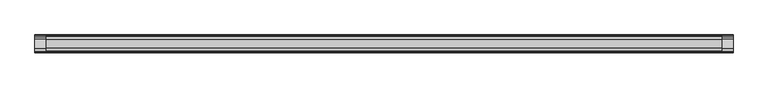
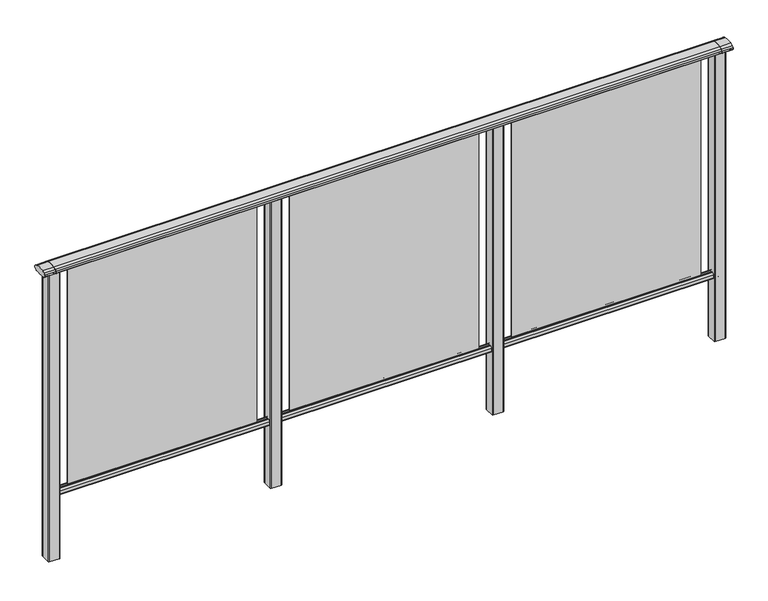
"""IFC4 building model written with IfcOpenShell, lengths in millimetres: railing geometry."""

from ifc_helpers import new_model, si_unit, point, frame, frame_2d, origin, place, context, project, spatial, polyline, circle_curve, trimmed, segment, composite_curve, outline, extrude, source, transform, mapped, element, save


def railing_d5fbda3e(model_context):
    return source(origin(), model_context, "Body", "SweptSolid", [
        extrude(outline(composite_curve([segment(trimmed(circle_curve(frame_2d((7270.3619413, 1153.851602)), 44.999996), [point((7281.0673858, 1197.5596459))], [point((7293.2601573, 1192.5901015))], False, "CARTESIAN"), True, "CONTINUOUS"), segment(trimmed(circle_curve(frame_2d((7284.6097194, 1177.955556)), 17.0), [point((7293.2601573, 1192.5901015))], [point((7299.1544589, 1186.7561556))], False, "CARTESIAN"), True, "CONTINUOUS"), segment(trimmed(circle_curve(frame_2d((7292.0959826, 1182.4852765)), 8.2499997), [point((7299.1544589, 1186.7561556))], [point((7299.1544535, 1178.2143885))], False, "CARTESIAN"), True, "CONTINUOUS"), segment(trimmed(circle_curve(frame_2d((7284.6097251, 1187.0150065)), 17.0), [point((7299.1544535, 1178.2143885))], [point((7293.2601665, 1172.380463))], False, "CARTESIAN"), True, "CONTINUOUS"), segment(trimmed(circle_curve(frame_2d((7270.3619413, 1211.1189571)), 44.999996), [point((7293.2601665, 1172.380463))], [point((7288.7876029, 1170.064181))], False, "CARTESIAN"), True, "CONTINUOUS"), segment(trimmed(circle_curve(frame_2d((7288.1786159, 1172.1635324)), 2.185896), [point((7288.7876029, 1170.064181))], [point((7287.9960148, 1169.9852766))], False, "CARTESIAN"), True, "CONTINUOUS"), segment(trimmed(circle_curve(frame_2d((7287.9960148, 1170.8852766)), 0.9), [point((7287.9960148, 1169.9852766))], [point((7287.0981091, 1170.8239135))], False, "CARTESIAN"), True, "CONTINUOUS"), segment(trimmed(circle_curve(frame_2d((7286.5194733, 1170.8239135)), 0.5786359), [point((7287.0981091, 1170.8239135))], [point((7286.5194733, 1170.2452777))], False, "CARTESIAN"), True, "CONTINUOUS"), segment(polyline([(7286.5194733, 1170.2452777), (7269.5751393, 1170.2452777)]), True, "CONTINUOUS"), segment(trimmed(circle_curve(frame_2d((7260.8508208, 1187.1238497)), 18.999998), [point((7269.5751393, 1170.2452777))], [point((7252.1265024, 1170.2452777))], False, "CARTESIAN"), True, "CONTINUOUS"), segment(polyline([(7252.1265024, 1170.2452777), (7235.1821348, 1170.2452777)]), True, "CONTINUOUS"), segment(trimmed(circle_curve(frame_2d((7235.1821348, 1170.8239135)), 0.5786359), [point((7235.1821348, 1170.2452777))], [point((7234.603499, 1170.8239135))], False, "CARTESIAN"), True, "CONTINUOUS"), segment(trimmed(circle_curve(frame_2d((7233.7055933, 1170.8852766)), 0.9), [point((7234.603499, 1170.8239135))], [point((7233.7055933, 1169.9852766))], False, "CARTESIAN"), True, "CONTINUOUS"), segment(trimmed(circle_curve(frame_2d((7233.5229922, 1172.1635324)), 2.185896), [point((7233.7055933, 1169.9852766))], [point((7232.9140052, 1170.064181))], False, "CARTESIAN"), True, "CONTINUOUS"), segment(trimmed(circle_curve(frame_2d((7251.3396668, 1211.1189571)), 44.999996), [point((7232.9140052, 1170.064181))], [point((7228.8767914, 1172.1264081))], False, "CARTESIAN"), True, "CONTINUOUS"), segment(trimmed(circle_curve(frame_2d((7237.082215, 1187.0150288)), 17.0), [point((7228.8767914, 1172.1264081))], [point((7222.5375128, 1178.2143675))], False, "CARTESIAN"), True, "CONTINUOUS"), segment(trimmed(circle_curve(frame_2d((7229.595971, 1182.4852765)), 8.2499997), [point((7222.5375128, 1178.2143675))], [point((7222.5375074, 1186.7561766))], False, "CARTESIAN"), True, "CONTINUOUS"), segment(trimmed(circle_curve(frame_2d((7237.0822207, 1177.9555337)), 17.0), [point((7222.5375074, 1186.7561766))], [point((7228.4317599, 1192.5900657))], False, "CARTESIAN"), True, "CONTINUOUS"), segment(trimmed(circle_curve(frame_2d((7251.3300365, 1153.851602)), 44.999996), [point((7228.4317599, 1192.5900657))], [point((7240.624592, 1197.5596459))], False, "CARTESIAN"), True, "CONTINUOUS"), segment(trimmed(circle_curve(frame_2d((7260.8459889, 1115.0000001)), 85.0), [point((7240.624592, 1197.5596459))], [point((7281.0673858, 1197.5596459))], False, "CARTESIAN"), True, "CONTINUOUS")], self_intersect=False)), frame((3671.3946925, 0.0, 0.0), z_axis=(1.0, 0.0, 0.0), x_axis=(0.0, 1.0, 0.0)), (0.0, 0.0, 1.0), 3000.0),
        extrude(outline(composite_curve([segment(polyline([(7276.5508136, 100.0), (7245.1507946, 100.0)]), True, "CONTINUOUS"), segment(trimmed(circle_curve(frame_2d((7245.1507946, 101.8)), 1.8), [point((7245.1507946, 100.0))], [point((7243.3507946, 101.8))], False, "CARTESIAN"), True, "CONTINUOUS"), segment(polyline([(7243.3507946, 101.8), (7243.3507946, 115.5269955)]), True, "CONTINUOUS"), segment(trimmed(circle_curve(frame_2d((7245.1507946, 115.5269955)), 1.8), [point((7243.3507946, 115.5269955))], [point((7243.7923399, 116.7079277))], False, "CARTESIAN"), True, "CONTINUOUS"), segment(polyline([(7243.7923399, 116.7079277), (7250.4626384, 124.3809322)]), True, "CONTINUOUS"), segment(trimmed(circle_curve(frame_2d((7251.8210931, 123.2)), 1.8), [point((7250.4626384, 124.3809322))], [point((7251.8210931, 125.0))], False, "CARTESIAN"), True, "CONTINUOUS"), segment(polyline([(7251.8210931, 125.0), (7255.5111113, 125.0), (7256.809143, 113.0), (7264.8924411, 113.0), (7266.1904978, 125.0), (7269.88054, 125.0)]), True, "CONTINUOUS"), segment(trimmed(circle_curve(frame_2d((7269.88054, 123.2)), 1.8), [point((7269.88054, 125.0))], [point((7271.2389969, 124.3809297))], False, "CARTESIAN"), True, "CONTINUOUS"), segment(polyline([(7271.2389969, 124.3809297), (7277.9092704, 116.7079252)]), True, "CONTINUOUS"), segment(trimmed(circle_curve(frame_2d((7276.5508136, 115.5269955)), 1.8), [point((7277.9092704, 116.7079252))], [point((7278.3508136, 115.5269955))], False, "CARTESIAN"), True, "CONTINUOUS"), segment(polyline([(7278.3508136, 115.5269955), (7278.3508136, 101.8)]), True, "CONTINUOUS"), segment(trimmed(circle_curve(frame_2d((7276.5508136, 101.8)), 1.8), [point((7278.3508136, 101.8))], [point((7276.5508136, 100.0))], False, "CARTESIAN"), True, "CONTINUOUS")], self_intersect=False)), frame((3671.3946925, 0.0, 0.0), z_axis=(1.0, 0.0, 0.0), x_axis=(0.0, 1.0, 0.0)), (0.0, 0.0, 1.0), 3000.0),
        extrude(outline(polyline([(5746.3946925, 7262.8508041), (6596.3946925, 7262.8508041), (6596.3946925, 7258.8508041), (5746.3946925, 7258.8508041), (5746.3946925, 7262.8508041)])), frame((0.0, 0.0, 125.0), z_axis=(0.0, 0.0, 1.0), x_axis=(1.0, 0.0, 0.0)), (0.0, 0.0, 1.0), 1043.1238517),
        extrude(outline(composite_curve([segment(trimmed(circle_curve(frame_2d((5693.7947043, 7283.2508153)), 3.0), [point((5693.794704, 7286.2508153))], [point((5696.7947043, 7283.2508156))], False, "CARTESIAN"), True, "CONTINUOUS"), segment(polyline([(5696.7947043, 7283.2508156), (5696.7947083, 7238.4507926)]), True, "CONTINUOUS"), segment(trimmed(circle_curve(frame_2d((5693.7947083, 7238.4507923)), 3.0), [point((5696.7947083, 7238.4507926))], [point((5693.7947086, 7235.4507923))], False, "CARTESIAN"), True, "CONTINUOUS"), segment(polyline([(5693.7947086, 7235.4507923), (5648.9946856, 7235.4507883)]), True, "CONTINUOUS"), segment(trimmed(circle_curve(frame_2d((5648.9946853, 7238.4507883)), 3.0), [point((5648.9946856, 7235.4507883))], [point((5645.9946853, 7238.450788))], False, "CARTESIAN"), True, "CONTINUOUS"), segment(polyline([(5645.9946853, 7238.450788), (5645.9946813, 7283.250811)]), True, "CONTINUOUS"), segment(trimmed(circle_curve(frame_2d((5648.9946813, 7283.2508113)), 3.0), [point((5645.9946813, 7283.250811))], [point((5648.994681, 7286.2508113))], False, "CARTESIAN"), True, "CONTINUOUS"), segment(polyline([(5648.994681, 7286.2508113), (5693.794704, 7286.2508153)]), True, "CONTINUOUS")], self_intersect=False)), frame((0.0, 0.0, -198.0), z_axis=(0.0, 0.0, 1.0), x_axis=(1.0, 0.0, 0.0)), (0.0, 0.0, 1.0), 1366.1238517),
        extrude(outline(polyline([(4746.3946925, 7262.8508041), (5596.3946925, 7262.8508041), (5596.3946925, 7258.8508041), (4746.3946925, 7258.8508041), (4746.3946925, 7262.8508041)])), frame((0.0, 0.0, 125.0), z_axis=(0.0, 0.0, 1.0), x_axis=(1.0, 0.0, 0.0)), (0.0, 0.0, 1.0), 1043.1238517),
        extrude(outline(composite_curve([segment(trimmed(circle_curve(frame_2d((4693.7947043, 7283.2508153)), 3.0), [point((4693.794704, 7286.2508153))], [point((4696.7947043, 7283.2508156))], False, "CARTESIAN"), True, "CONTINUOUS"), segment(polyline([(4696.7947043, 7283.2508156), (4696.7947083, 7238.4507926)]), True, "CONTINUOUS"), segment(trimmed(circle_curve(frame_2d((4693.7947083, 7238.4507923)), 3.0), [point((4696.7947083, 7238.4507926))], [point((4693.7947086, 7235.4507923))], False, "CARTESIAN"), True, "CONTINUOUS"), segment(polyline([(4693.7947086, 7235.4507923), (4648.9946856, 7235.4507883)]), True, "CONTINUOUS"), segment(trimmed(circle_curve(frame_2d((4648.9946853, 7238.4507883)), 3.0), [point((4648.9946856, 7235.4507883))], [point((4645.9946853, 7238.450788))], False, "CARTESIAN"), True, "CONTINUOUS"), segment(polyline([(4645.9946853, 7238.450788), (4645.9946813, 7283.250811)]), True, "CONTINUOUS"), segment(trimmed(circle_curve(frame_2d((4648.9946813, 7283.2508113)), 3.0), [point((4645.9946813, 7283.250811))], [point((4648.994681, 7286.2508113))], False, "CARTESIAN"), True, "CONTINUOUS"), segment(polyline([(4648.994681, 7286.2508113), (4693.794704, 7286.2508153)]), True, "CONTINUOUS")], self_intersect=False)), frame((0.0, 0.0, -198.0), z_axis=(0.0, 0.0, 1.0), x_axis=(1.0, 0.0, 0.0)), (0.0, 0.0, 1.0), 1366.1238517),
        extrude(outline(polyline([(3746.3946925, 7262.8508041), (4596.3946925, 7262.8508041), (4596.3946925, 7258.8508041), (3746.3946925, 7258.8508041), (3746.3946925, 7262.8508041)])), frame((0.0, 0.0, 125.0), z_axis=(0.0, 0.0, 1.0), x_axis=(1.0, 0.0, 0.0)), (0.0, 0.0, 1.0), 1043.1238517),
        extrude(outline(composite_curve([segment(trimmed(circle_curve(frame_2d((6693.7947043, 7283.2508153)), 3.0), [point((6693.794704, 7286.2508153))], [point((6696.7947043, 7283.2508156))], False, "CARTESIAN"), True, "CONTINUOUS"), segment(polyline([(6696.7947043, 7283.2508156), (6696.7947083, 7238.4507926)]), True, "CONTINUOUS"), segment(trimmed(circle_curve(frame_2d((6693.7947083, 7238.4507923)), 3.0), [point((6696.7947083, 7238.4507926))], [point((6693.7947086, 7235.4507923))], False, "CARTESIAN"), True, "CONTINUOUS"), segment(polyline([(6693.7947086, 7235.4507923), (6648.9946856, 7235.4507883)]), True, "CONTINUOUS"), segment(trimmed(circle_curve(frame_2d((6648.9946853, 7238.4507883)), 3.0), [point((6648.9946856, 7235.4507883))], [point((6645.9946853, 7238.450788))], False, "CARTESIAN"), True, "CONTINUOUS"), segment(polyline([(6645.9946853, 7238.450788), (6645.9946813, 7283.250811)]), True, "CONTINUOUS"), segment(trimmed(circle_curve(frame_2d((6648.9946813, 7283.2508113)), 3.0), [point((6645.9946813, 7283.250811))], [point((6648.994681, 7286.2508113))], False, "CARTESIAN"), True, "CONTINUOUS"), segment(polyline([(6648.994681, 7286.2508113), (6693.794704, 7286.2508153)]), True, "CONTINUOUS")], self_intersect=False)), frame((0.0, 0.0, -198.0), z_axis=(0.0, 0.0, 1.0), x_axis=(1.0, 0.0, 0.0)), (0.0, 0.0, 1.0), 1366.1238517),
        extrude(outline(composite_curve([segment(trimmed(circle_curve(frame_2d((7270.3619413, 1153.851602)), 44.999996), [point((7281.0673858, 1197.5596459))], [point((7293.2601573, 1192.5901015))], False, "CARTESIAN"), True, "CONTINUOUS"), segment(trimmed(circle_curve(frame_2d((7284.6097194, 1177.955556)), 17.0), [point((7293.2601573, 1192.5901015))], [point((7299.1544589, 1186.7561556))], False, "CARTESIAN"), True, "CONTINUOUS"), segment(trimmed(circle_curve(frame_2d((7292.0959826, 1182.4852765)), 8.2499997), [point((7299.1544589, 1186.7561556))], [point((7299.1544535, 1178.2143885))], False, "CARTESIAN"), True, "CONTINUOUS"), segment(trimmed(circle_curve(frame_2d((7284.6097251, 1187.0150065)), 17.0), [point((7299.1544535, 1178.2143885))], [point((7293.2601665, 1172.380463))], False, "CARTESIAN"), True, "CONTINUOUS"), segment(trimmed(circle_curve(frame_2d((7270.3619413, 1211.1189571)), 44.999996), [point((7293.2601665, 1172.380463))], [point((7288.7876029, 1170.064181))], False, "CARTESIAN"), True, "CONTINUOUS"), segment(trimmed(circle_curve(frame_2d((7288.1786159, 1172.1635324)), 2.185896), [point((7288.7876029, 1170.064181))], [point((7287.9960148, 1169.9852766))], False, "CARTESIAN"), True, "CONTINUOUS"), segment(trimmed(circle_curve(frame_2d((7287.9960148, 1170.8852766)), 0.9), [point((7287.9960148, 1169.9852766))], [point((7287.0981091, 1170.8239135))], False, "CARTESIAN"), True, "CONTINUOUS"), segment(trimmed(circle_curve(frame_2d((7286.5194733, 1170.8239135)), 0.5786359), [point((7287.0981091, 1170.8239135))], [point((7286.5194733, 1170.2452777))], False, "CARTESIAN"), True, "CONTINUOUS"), segment(polyline([(7286.5194733, 1170.2452777), (7269.5751393, 1170.2452777)]), True, "CONTINUOUS"), segment(trimmed(circle_curve(frame_2d((7260.8508208, 1187.1238497)), 18.999998), [point((7269.5751393, 1170.2452777))], [point((7252.1265024, 1170.2452777))], False, "CARTESIAN"), True, "CONTINUOUS"), segment(polyline([(7252.1265024, 1170.2452777), (7235.1821348, 1170.2452777)]), True, "CONTINUOUS"), segment(trimmed(circle_curve(frame_2d((7235.1821348, 1170.8239135)), 0.5786359), [point((7235.1821348, 1170.2452777))], [point((7234.603499, 1170.8239135))], False, "CARTESIAN"), True, "CONTINUOUS"), segment(trimmed(circle_curve(frame_2d((7233.7055933, 1170.8852766)), 0.9), [point((7234.603499, 1170.8239135))], [point((7233.7055933, 1169.9852766))], False, "CARTESIAN"), True, "CONTINUOUS"), segment(trimmed(circle_curve(frame_2d((7233.5229922, 1172.1635324)), 2.185896), [point((7233.7055933, 1169.9852766))], [point((7232.9140052, 1170.064181))], False, "CARTESIAN"), True, "CONTINUOUS"), segment(trimmed(circle_curve(frame_2d((7251.3396668, 1211.1189571)), 44.999996), [point((7232.9140052, 1170.064181))], [point((7228.8767914, 1172.1264081))], False, "CARTESIAN"), True, "CONTINUOUS"), segment(trimmed(circle_curve(frame_2d((7237.082215, 1187.0150288)), 17.0), [point((7228.8767914, 1172.1264081))], [point((7222.5375128, 1178.2143675))], False, "CARTESIAN"), True, "CONTINUOUS"), segment(trimmed(circle_curve(frame_2d((7229.595971, 1182.4852765)), 8.2499997), [point((7222.5375128, 1178.2143675))], [point((7222.5375074, 1186.7561766))], False, "CARTESIAN"), True, "CONTINUOUS"), segment(trimmed(circle_curve(frame_2d((7237.0822207, 1177.9555337)), 17.0), [point((7222.5375074, 1186.7561766))], [point((7228.4317599, 1192.5900657))], False, "CARTESIAN"), True, "CONTINUOUS"), segment(trimmed(circle_curve(frame_2d((7251.3300365, 1153.851602)), 44.999996), [point((7228.4317599, 1192.5900657))], [point((7240.624592, 1197.5596459))], False, "CARTESIAN"), True, "CONTINUOUS"), segment(trimmed(circle_curve(frame_2d((7260.8459889, 1115.0000001)), 85.0), [point((7240.624592, 1197.5596459))], [point((7281.0673858, 1197.5596459))], False, "CARTESIAN"), True, "CONTINUOUS")], self_intersect=False)), frame((6671.3946838, 0.0, 0.0), z_axis=(1.0, 0.0, 0.0), x_axis=(0.0, 1.0, 0.0)), (0.0, 0.0, 1.0), 50.0),
        extrude(outline(composite_curve([segment(trimmed(circle_curve(frame_2d((3693.7947043, 7283.2508153)), 3.0), [point((3693.794704, 7286.2508153))], [point((3696.7947043, 7283.2508156))], False, "CARTESIAN"), True, "CONTINUOUS"), segment(polyline([(3696.7947043, 7283.2508156), (3696.7947083, 7238.4507926)]), True, "CONTINUOUS"), segment(trimmed(circle_curve(frame_2d((3693.7947083, 7238.4507923)), 3.0), [point((3696.7947083, 7238.4507926))], [point((3693.7947086, 7235.4507923))], False, "CARTESIAN"), True, "CONTINUOUS"), segment(polyline([(3693.7947086, 7235.4507923), (3648.9946856, 7235.4507883)]), True, "CONTINUOUS"), segment(trimmed(circle_curve(frame_2d((3648.9946853, 7238.4507883)), 3.0), [point((3648.9946856, 7235.4507883))], [point((3645.9946853, 7238.450788))], False, "CARTESIAN"), True, "CONTINUOUS"), segment(polyline([(3645.9946853, 7238.450788), (3645.9946813, 7283.250811)]), True, "CONTINUOUS"), segment(trimmed(circle_curve(frame_2d((3648.9946813, 7283.2508113)), 3.0), [point((3645.9946813, 7283.250811))], [point((3648.994681, 7286.2508113))], False, "CARTESIAN"), True, "CONTINUOUS"), segment(polyline([(3648.994681, 7286.2508113), (3693.794704, 7286.2508153)]), True, "CONTINUOUS")], self_intersect=False)), frame((0.0, 0.0, -198.0), z_axis=(0.0, 0.0, 1.0), x_axis=(1.0, 0.0, 0.0)), (0.0, 0.0, 1.0), 1366.1238517),
        extrude(outline(composite_curve([segment(trimmed(circle_curve(frame_2d((7270.3619413, 1153.851602)), 44.999996), [point((7281.0673858, 1197.5596459))], [point((7293.2601573, 1192.5901015))], False, "CARTESIAN"), True, "CONTINUOUS"), segment(trimmed(circle_curve(frame_2d((7284.6097194, 1177.955556)), 17.0), [point((7293.2601573, 1192.5901015))], [point((7299.1544589, 1186.7561556))], False, "CARTESIAN"), True, "CONTINUOUS"), segment(trimmed(circle_curve(frame_2d((7292.0959826, 1182.4852765)), 8.2499997), [point((7299.1544589, 1186.7561556))], [point((7299.1544535, 1178.2143885))], False, "CARTESIAN"), True, "CONTINUOUS"), segment(trimmed(circle_curve(frame_2d((7284.6097251, 1187.0150065)), 17.0), [point((7299.1544535, 1178.2143885))], [point((7293.2601665, 1172.380463))], False, "CARTESIAN"), True, "CONTINUOUS"), segment(trimmed(circle_curve(frame_2d((7270.3619413, 1211.1189571)), 44.999996), [point((7293.2601665, 1172.380463))], [point((7288.7876029, 1170.064181))], False, "CARTESIAN"), True, "CONTINUOUS"), segment(trimmed(circle_curve(frame_2d((7288.1786159, 1172.1635324)), 2.185896), [point((7288.7876029, 1170.064181))], [point((7287.9960148, 1169.9852766))], False, "CARTESIAN"), True, "CONTINUOUS"), segment(trimmed(circle_curve(frame_2d((7287.9960148, 1170.8852766)), 0.9), [point((7287.9960148, 1169.9852766))], [point((7287.0981091, 1170.8239135))], False, "CARTESIAN"), True, "CONTINUOUS"), segment(trimmed(circle_curve(frame_2d((7286.5194733, 1170.8239135)), 0.5786359), [point((7287.0981091, 1170.8239135))], [point((7286.5194733, 1170.2452777))], False, "CARTESIAN"), True, "CONTINUOUS"), segment(polyline([(7286.5194733, 1170.2452777), (7269.5751393, 1170.2452777)]), True, "CONTINUOUS"), segment(trimmed(circle_curve(frame_2d((7260.8508208, 1187.1238497)), 18.999998), [point((7269.5751393, 1170.2452777))], [point((7252.1265024, 1170.2452777))], False, "CARTESIAN"), True, "CONTINUOUS"), segment(polyline([(7252.1265024, 1170.2452777), (7235.1821348, 1170.2452777)]), True, "CONTINUOUS"), segment(trimmed(circle_curve(frame_2d((7235.1821348, 1170.8239135)), 0.5786359), [point((7235.1821348, 1170.2452777))], [point((7234.603499, 1170.8239135))], False, "CARTESIAN"), True, "CONTINUOUS"), segment(trimmed(circle_curve(frame_2d((7233.7055933, 1170.8852766)), 0.9), [point((7234.603499, 1170.8239135))], [point((7233.7055933, 1169.9852766))], False, "CARTESIAN"), True, "CONTINUOUS"), segment(trimmed(circle_curve(frame_2d((7233.5229922, 1172.1635324)), 2.185896), [point((7233.7055933, 1169.9852766))], [point((7232.9140052, 1170.064181))], False, "CARTESIAN"), True, "CONTINUOUS"), segment(trimmed(circle_curve(frame_2d((7251.3396668, 1211.1189571)), 44.999996), [point((7232.9140052, 1170.064181))], [point((7228.8767914, 1172.1264081))], False, "CARTESIAN"), True, "CONTINUOUS"), segment(trimmed(circle_curve(frame_2d((7237.082215, 1187.0150288)), 17.0), [point((7228.8767914, 1172.1264081))], [point((7222.5375128, 1178.2143675))], False, "CARTESIAN"), True, "CONTINUOUS"), segment(trimmed(circle_curve(frame_2d((7229.595971, 1182.4852765)), 8.2499997), [point((7222.5375128, 1178.2143675))], [point((7222.5375074, 1186.7561766))], False, "CARTESIAN"), True, "CONTINUOUS"), segment(trimmed(circle_curve(frame_2d((7237.0822207, 1177.9555337)), 17.0), [point((7222.5375074, 1186.7561766))], [point((7228.4317599, 1192.5900657))], False, "CARTESIAN"), True, "CONTINUOUS"), segment(trimmed(circle_curve(frame_2d((7251.3300365, 1153.851602)), 44.999996), [point((7228.4317599, 1192.5900657))], [point((7240.624592, 1197.5596459))], False, "CARTESIAN"), True, "CONTINUOUS"), segment(trimmed(circle_curve(frame_2d((7260.8459889, 1115.0000001)), 85.0), [point((7240.624592, 1197.5596459))], [point((7281.0673858, 1197.5596459))], False, "CARTESIAN"), True, "CONTINUOUS")], self_intersect=False)), frame((3621.3946838, 0.0, 0.0), z_axis=(1.0, 0.0, 0.0), x_axis=(0.0, 1.0, 0.0)), (0.0, 0.0, 1.0), 50.0),
    ])


if __name__ == "__main__":
    model = new_model("IFC4")
    model_context = context("Model", 3, world=origin())
    ifc_project = project(units=[si_unit("LENGTHUNIT", "METRE", prefix="MILLI")], contexts=[model_context])
    site = spatial("IfcSite", under=ifc_project)
    building = spatial("IfcBuilding", under=site)
    placement = place(None, origin())
    railing_shape = railing_d5fbda3e(model_context)
    element("IfcRailing", 1, at=placement, inside=building, context=model_context, shape_type="MappedRepresentation", body=[
        mapped(railing_shape, transform((0.0, 0.0, 0.0), x_axis=(1.0, 0.0, 0.0), y_axis=(0.0, 1.0, 0.0), z_axis=(0.0, 0.0, 1.0))),
    ])
    save(model, "model.ifc")
